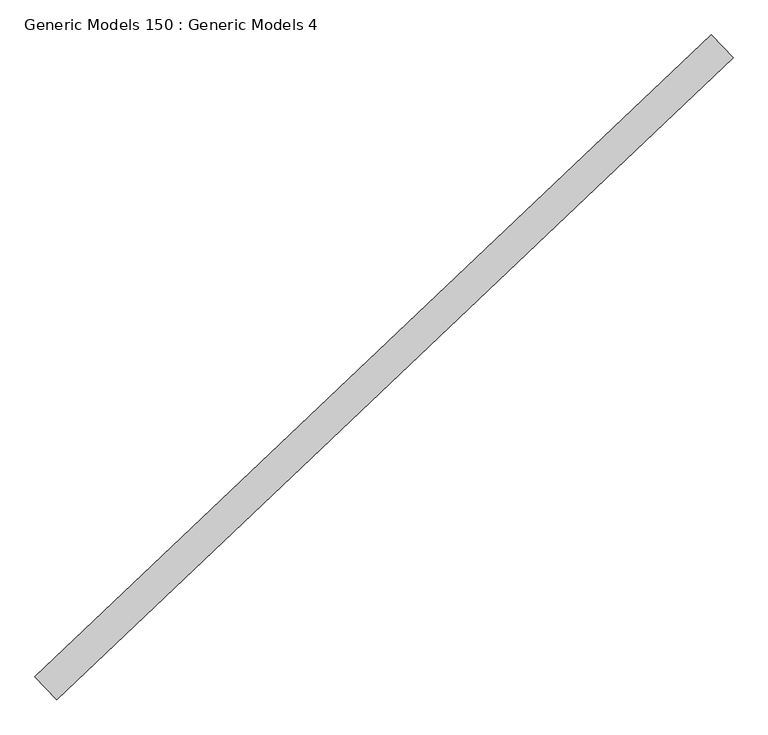
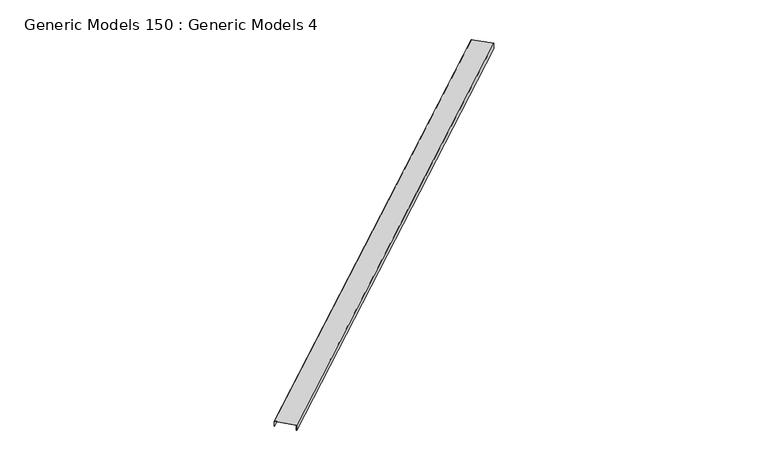
"""IFC4 building model written with IfcOpenShell, lengths in millimetres: proxy geometry, Generic Models 150 : Generic Models 4."""

from ifc_helpers import new_model, si_unit, frame, origin, place, context, project, spatial, polyline, outline, extrude, source, transform, mapped, element, save


def generic_models_150_generic_models_4_82b76f0b(model_context):
    return source(origin(), model_context, "Body", "SweptSolid", [
        extrude(outline(polyline([(0.0, 0.0), (0.0, -152.3999999), (-41.275, -152.3999999), (-41.275, -150.8124999), (-1.5875, -150.8124999), (-1.5875, -1.5875), (-41.275, -1.5875), (-41.275, 0.0), (0.0, 0.0)])), frame((108208.2925045, 48399.768781, 18531.5233985), z_axis=(0.725374371012385, 0.6883545756936514, 0.0), x_axis=(0.0, 0.0, 1.0)), (0.0, 0.0, 1.0), 4530.725),
    ])


if __name__ == "__main__":
    model = new_model("IFC4")
    model_context = context("Model", 3, world=origin())
    ifc_project = project(units=[si_unit("LENGTHUNIT", "METRE", prefix="MILLI")], contexts=[model_context])
    site = spatial("IfcSite", under=ifc_project)
    building = spatial("IfcBuilding", under=site)
    placement = place(None, origin())
    generic_models_150_generic_models_4_shape = generic_models_150_generic_models_4_82b76f0b(model_context)
    element("IfcBuildingElementProxy", 1, Name="Generic Models 150 : Generic Models 4", ObjectType="Generic Models 150 : Generic Models 4", at=placement, inside=building, context=model_context, shape_type="MappedRepresentation", body=[
        mapped(generic_models_150_generic_models_4_shape, transform((0.0, 0.0, 0.0), x_axis=(1.0, 0.0, 0.0), y_axis=(0.0, 1.0, 0.0), z_axis=(0.0, 0.0, 1.0))),
    ])
    save(model, "model.ifc")
